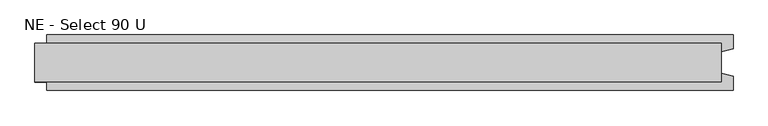
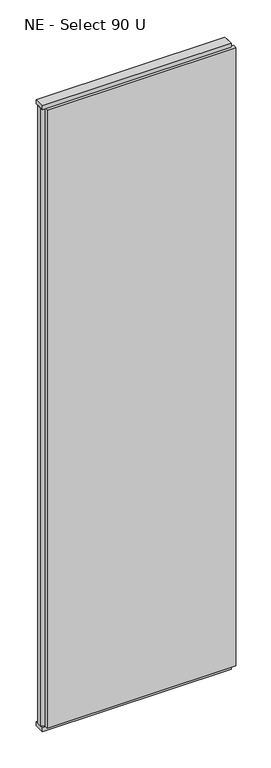
"""IFC4 building model written with IfcOpenShell, lengths in millimetres: plate geometry, NE - Select 90 U."""

from ifc_helpers import new_model, si_unit, frame, origin, origin_with_axes, place, context, project, spatial, polyline, outline, extrude, source, transform, mapped, element, save


def ne_select_90_u_d68c81be(model_context):
    return source(origin(), model_context, "Body", "SweptSolid", [
        extrude(outline(polyline([(590.5, 46.0), (590.5, 22.9993165), (570.5, 17.6401049), (570.5, -17.6401049), (590.5, -22.9993165), (590.5, -46.0), (-550.5, -46.0), (-550.5, -22.9993165), (-570.5, -17.6401049), (-570.5, 17.6401049), (-550.5, 22.9993165), (-550.5, 46.0), (590.5, 46.0)])), frame((0.0, 0.0, 25.0), z_axis=(0.0, 0.0, 1.0), x_axis=(1.0, 0.0, 0.0)), (0.0, 0.0, 1.0), 3950.0),
        extrude(outline(polyline([(570.5, 32.0), (570.5, -32.0), (-570.5, -32.0), (-570.5, 32.0), (570.5, 32.0)])), origin_with_axes(), (0.0, 0.0, 1.0), 25.0),
        extrude(outline(polyline([(570.5, 32.0), (570.5, -32.0), (-570.5, -32.0), (-570.5, 32.0), (570.5, 32.0)])), frame((0.0, 0.0, 3975.0), z_axis=(0.0, 0.0, 1.0), x_axis=(1.0, 0.0, 0.0)), (0.0, 0.0, 1.0), 25.0),
    ])


if __name__ == "__main__":
    model = new_model("IFC4")
    model_context = context("Model", 3, world=origin())
    ifc_project = project(units=[si_unit("LENGTHUNIT", "METRE", prefix="MILLI")], contexts=[model_context])
    site = spatial("IfcSite", under=ifc_project)
    building = spatial("IfcBuilding", under=site)
    placement = place(None, origin())
    ne_select_90_u_shape = ne_select_90_u_d68c81be(model_context)
    element("IfcPlate", 1, ObjectType="NE - Select 90 U", at=placement, inside=building, context=model_context, shape_type="MappedRepresentation", body=[
        mapped(ne_select_90_u_shape, transform((0.0, 0.0, 0.0), x_axis=(1.0, 0.0, 0.0), y_axis=(0.0, 1.0, 0.0), z_axis=(0.0, 0.0, 1.0))),
    ])
    save(model, "model.ifc")
